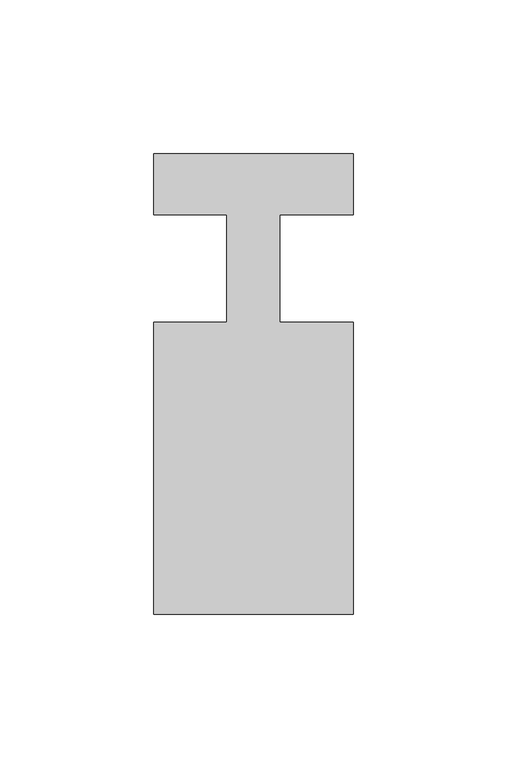
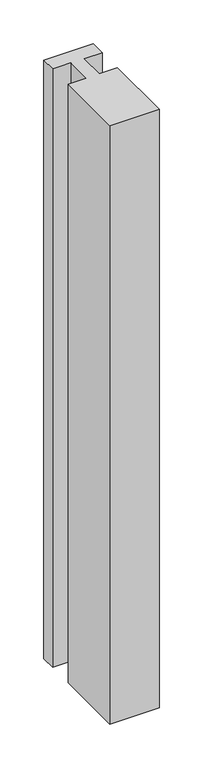
"""IFC4 building model written with IfcOpenShell, lengths in millimetres: member geometry."""

from ifc_helpers import new_model, si_unit, frame, origin, place, context, project, spatial, polyline, outline, extrude, source, transform, mapped, element, save


def member_e6319ecb(model_context):
    return source(origin(), model_context, "Body", "SweptSolid", [
        extrude(outline(polyline([(0.0, 37.0), (0.0, 17.0), (-23.8125, 17.0), (-23.8125, -18.0), (0.0, -18.0), (0.0, -113.0), (-65.0, -113.0), (-65.0, -18.0), (-41.1875, -18.0), (-41.1875, 17.0), (-65.0, 17.0), (-65.0, 37.0), (0.0, 37.0)])), frame((0.0, 0.0, -832.5), z_axis=(0.0, 0.0, 1.0), x_axis=(1.0, 0.0, 0.0)), (0.0, 0.0, 1.0), 832.5),
    ])


if __name__ == "__main__":
    model = new_model("IFC4")
    model_context = context("Model", 3, world=origin())
    ifc_project = project(units=[si_unit("LENGTHUNIT", "METRE", prefix="MILLI")], contexts=[model_context])
    site = spatial("IfcSite", under=ifc_project)
    building = spatial("IfcBuilding", under=site)
    placement = place(None, origin())
    member_shape = member_e6319ecb(model_context)
    element("IfcMember", 1, at=placement, inside=building, context=model_context, shape_type="MappedRepresentation", body=[
        mapped(member_shape, transform((0.0, 0.0, 0.0), x_axis=(1.0, 0.0, 0.0), y_axis=(0.0, 1.0, 0.0), z_axis=(0.0, 0.0, 1.0))),
    ])
    save(model, "model.ifc")
